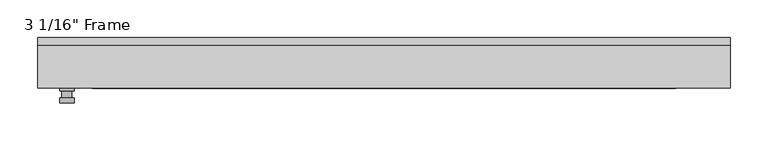
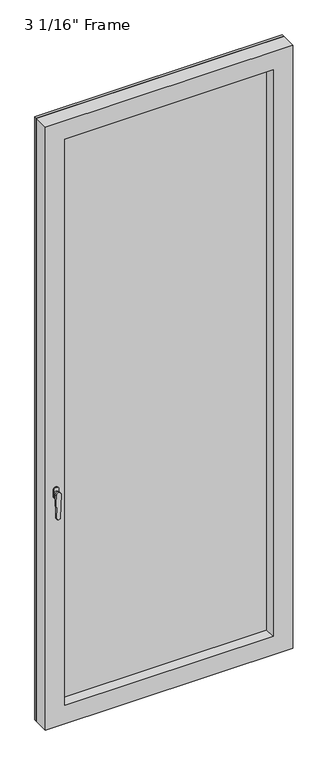
"""IFC4 building model written with IfcOpenShell, lengths in millimetres: plate geometry."""

import ifcopenshell
import ifcopenshell.guid

model = None  # the IFC model being written
_history = None  # IfcOwnerHistory: only IFC2X3 demands one
_inside = {}  # id of a spatial element -> (the spatial element, [elements in it])
_under = {}  # id of a project, library or spatial element -> (it, [spatial elements below it])
_declared = {}  # id of a project -> (the project, [libraries it declares])
_typed = {}  # id of a type object -> (the type object, [elements of that type])
_made_of = {}  # id of a material, layer set ... -> (it, [elements and type objects made of it])


def new_model(schema):
    """Start an empty IFC model of exactly this schema.

    Asked for "IFC4X3", IfcOpenShell would pick the latest addendum, in which some entities
    have other attributes; the version numbers below select the first issue.
    IFC2X3 requires an IfcOwnerHistory on every rooted entity: one is made here for all.
    """
    global model, _history
    if schema == "IFC4X3":
        model = ifcopenshell.file(schema_version=(4, 3, 0, 0))
    else:
        model = ifcopenshell.file(schema=schema)
    _inside.clear()
    _under.clear()
    _declared.clear()
    _typed.clear()
    _made_of.clear()
    _history = None
    if model.schema == "IFC2X3":
        org = make("IfcOrganization", Name="unknown")
        user = make(
            "IfcPersonAndOrganization",
            ThePerson=make("IfcPerson", FamilyName="unknown"),
            TheOrganization=org,
        )
        app = make(
            "IfcApplication",
            ApplicationDeveloper=org,
            Version="unknown",
            ApplicationFullName="unknown",
            ApplicationIdentifier="unknown",
        )
        _history = make(
            "IfcOwnerHistory",
            OwningUser=user,
            OwningApplication=app,
            ChangeAction="ADDED",
            CreationDate=0,
        )
    return model


def make(cls, **values):
    """One entity of the class cls with the attributes given. An attribute that is None is left unset."""
    return model.create_entity(
        cls, **{name: value for name, value in values.items() if value is not None}
    )


def rooted(cls, **values):
    """An entity with a GlobalId (a new one), such as an element, a storey or a relation."""
    return make(cls, GlobalId=ifcopenshell.guid.new(), OwnerHistory=_history, **values)


def si_unit(unit_type, name, prefix=None):
    """IfcSIUnit, for example si_unit("LENGTHUNIT", "METRE", prefix="MILLI")."""
    return make("IfcSIUnit", UnitType=unit_type, Prefix=prefix, Name=name)


def assignment(units):
    """IfcUnitAssignment: the units of a project."""
    return None if units is None else make("IfcUnitAssignment", Units=units)


def point(xyz):
    """IfcCartesianPoint."""
    return None if xyz is None else make("IfcCartesianPoint", Coordinates=xyz)


def direction(xyz):
    """IfcDirection."""
    return None if xyz is None else make("IfcDirection", DirectionRatios=xyz)


def frame(location, z_axis=None, x_axis=None):
    """IfcAxis2Placement3D, a coordinate frame: its origin and axes. An axis left out is left unset."""
    return make(
        "IfcAxis2Placement3D",
        Location=point(location),
        Axis=direction(z_axis),
        RefDirection=direction(x_axis),
    )


def origin():
    """The frame at (0, 0, 0) with its axes left unset."""
    return frame((0.0, 0.0, 0.0))


def place(relative_to, where):
    """IfcLocalPlacement: puts the frame where relative to a parent placement (None: the world)."""
    return make(
        "IfcLocalPlacement", PlacementRelTo=relative_to, RelativePlacement=where
    )


def context(
    kind, dimensions, precision=None, world=None, true_north=None, identifier=None
):
    """IfcGeometricRepresentationContext, for example the 3D "Model" context."""
    return make(
        "IfcGeometricRepresentationContext",
        ContextIdentifier=identifier,
        ContextType=kind,
        CoordinateSpaceDimension=dimensions,
        Precision=precision,
        WorldCoordinateSystem=world,
        TrueNorth=true_north,
    )


def project(units=None, contexts=None):
    """IfcProject with its units and contexts."""
    return rooted(
        "IfcProject",
        Name="project",
        RepresentationContexts=contexts,
        UnitsInContext=assignment(units),
    )


def spatial(cls, under=None, at=None, **own):
    """A site, building, storey or space (cls), placed at a placement, below another one or the project."""
    s = rooted(cls, ObjectPlacement=at, **own)
    if under is not None:
        _under.setdefault(under.id(), (under, []))[1].append(s)
    return s


def polyline(points):
    """IfcPolyline through the points."""
    return make("IfcPolyline", Points=[point(p) for p in points])


def circle_curve(where, radius):
    """IfcCircle in the frame where."""
    return make("IfcCircle", Position=where, Radius=radius)


def outline(outer, holes=None, kind="AREA"):
    """IfcArbitraryClosedProfileDef: a profile drawn as a closed curve; with holes, ...WithVoids."""
    if holes is None:
        return make("IfcArbitraryClosedProfileDef", ProfileType=kind, OuterCurve=outer)
    return make(
        "IfcArbitraryProfileDefWithVoids",
        ProfileType=kind,
        OuterCurve=outer,
        InnerCurves=holes,
    )


def extrude(swept, where, along, depth):
    """IfcExtrudedAreaSolid: the profile swept, set in the frame where, extruded along a direction by depth."""
    return make(
        "IfcExtrudedAreaSolid",
        SweptArea=swept,
        Position=where,
        ExtrudedDirection=direction(along),
        Depth=depth,
    )


def faces_of(points, faces, orient=None, outer=None):
    """IfcFace entities. A face is a list of loops; a loop is a list of indices into points, from 0.

    orient and outer hold one flag for each loop. By default every Orientation is true, the
    first loop of a face is its IfcFaceOuterBound and the others are IfcFaceBound.
    """
    made = []
    for i, loops in enumerate(faces):
        bounds = []
        for j, loop in enumerate(loops):
            is_outer = j == 0 if outer is None else outer[i][j]
            bounds.append(
                make(
                    "IfcFaceOuterBound" if is_outer else "IfcFaceBound",
                    Bound=make("IfcPolyLoop", Polygon=[points[k] for k in loop]),
                    Orientation=True if orient is None else orient[i][j],
                )
            )
        made.append(make("IfcFace", Bounds=bounds))
    return made


def faceted_brep(points, faces, orient=None, outer=None, voids=None):
    """IfcFacetedBrep: a solid bounded by flat faces; with voids (closed shells), ...WithVoids."""
    shared = [point(p) for p in points]
    hull = make("IfcClosedShell", CfsFaces=faces_of(shared, faces, orient, outer))
    if voids is None:
        return make("IfcFacetedBrep", Outer=hull)
    return make(
        "IfcFacetedBrepWithVoids",
        Outer=hull,
        Voids=[
            make(cls, CfsFaces=faces_of(shared, fs, o, b)) for cls, fs, o, b in voids
        ],
    )


def shape(context_of_items, identifier, shape_type, items):
    """IfcShapeRepresentation: the items that make up one representation, for example the "Body"."""
    return make(
        "IfcShapeRepresentation",
        ContextOfItems=context_of_items,
        RepresentationIdentifier=identifier,
        RepresentationType=shape_type,
        Items=items,
    )


def source(mapping_origin, context_of_items, identifier, shape_type, items):
    """IfcRepresentationMap: a shape defined once, which mapped items show again and again."""
    return make(
        "IfcRepresentationMap",
        MappingOrigin=mapping_origin,
        MappedRepresentation=shape(context_of_items, identifier, shape_type, items),
    )


def transform(
    local_origin,
    x_axis=None,
    y_axis=None,
    z_axis=None,
    scale=None,
    scale2=None,
    scale3=None,
    uniform=True,
):
    """IfcCartesianTransformationOperator3D, or its non-uniform kind. x_axis, y_axis, z_axis: its Axis1, 2, 3."""
    if uniform:
        return make(
            "IfcCartesianTransformationOperator3D",
            Axis1=direction(x_axis),
            Axis2=direction(y_axis),
            LocalOrigin=point(local_origin),
            Scale=scale,
            Axis3=direction(z_axis),
        )
    return make(
        "IfcCartesianTransformationOperator3DnonUniform",
        Axis1=direction(x_axis),
        Axis2=direction(y_axis),
        LocalOrigin=point(local_origin),
        Scale=scale,
        Axis3=direction(z_axis),
        Scale2=scale2,
        Scale3=scale3,
    )


def mapped(mapping_source, mapping_target):
    """IfcMappedItem: shows the shape of a source again, moved by a transform."""
    return make(
        "IfcMappedItem", MappingSource=mapping_source, MappingTarget=mapping_target
    )


def made_of(thing, what):
    """Note that an element or type object is made of a material, layer set ...; save() writes the relation."""
    if what is not None:
        _made_of.setdefault(what.id(), (what, []))[1].append(thing)
    return thing


def element(
    cls,
    number,
    at=None,
    inside=None,
    cuts=None,
    type_object=None,
    material=None,
    context=None,
    identifier="Body",
    shape_type=None,
    held_by="IfcProductDefinitionShape",
    body=None,
    shapes=None,
    **own,
):
    """One element of the class cls, such as IfcWall. Its Tag is "e" and its number.

    at: its placement. inside: the storey or other place that contains it. cuts: it is an
    opening in that element (IfcRelVoidsElement). A single representation is given by context,
    identifier, shape_type and body (its items); several are given by shapes. held_by: the class
    of the entity that holds the representations. save() writes the other relations.
    """
    e = rooted(cls, Tag="e%d" % number, ObjectPlacement=at, **own)
    if body is not None:
        shapes = [shape(context, identifier, shape_type, body)]
    if shapes is not None:
        e.Representation = make(held_by, Representations=shapes)
    if inside is not None:
        _inside.setdefault(inside.id(), (inside, []))[1].append(e)
    if cuts is not None:
        rooted(
            "IfcRelVoidsElement", RelatingBuildingElement=cuts, RelatedOpeningElement=e
        )
    if type_object is not None:
        _typed.setdefault(type_object.id(), (type_object, []))[1].append(e)
    return made_of(e, material)


def aggregate(whole, parts):
    """IfcRelAggregates: a whole, such as a stair, and the parts it consists of."""
    return rooted("IfcRelAggregates", RelatingObject=whole, RelatedObjects=parts)


def save(model, path):
    """Write the relations noted so far, then the file.

    IfcRelAggregates (storeys below a building ...), IfcRelContainedInSpatialStructure (elements
    in a storey), IfcRelDefinesByType, IfcRelAssociatesMaterial and IfcRelDeclares: one each for
    every whole, place, type object, material and project.
    """
    for whole, parts in _under.values():
        aggregate(whole, parts)
    for where, things in _inside.values():
        rooted(
            "IfcRelContainedInSpatialStructure",
            RelatedElements=things,
            RelatingStructure=where,
        )
    for kind, things in _typed.values():
        rooted("IfcRelDefinesByType", RelatedObjects=things, RelatingType=kind)
    for what, things in _made_of.values():
        rooted("IfcRelAssociatesMaterial", RelatedObjects=things, RelatingMaterial=what)
    for by, libraries in _declared.values():
        rooted("IfcRelDeclares", RelatingContext=by, RelatedDefinitions=libraries)
    model.write(path)


def plane_surface(at):
    """IfcPlane: the flat surface through the origin of the frame at, square to its z axis."""
    return make("IfcPlane", Position=at)


def cylinder_surface(at, radius):
    """IfcCylindricalSurface: all points at the distance radius from the z axis of the frame at."""
    return make("IfcCylindricalSurface", Position=at, Radius=radius)


def advanced_brep(points, edges, surfaces, faces):
    """IfcAdvancedBrep: a solid bounded by faces that lie on surfaces and meet in shared edges.

    An edge is (start, end): straight between two places in points (the first is 0);
    or (start, end, curve); or (start, end, curve, False) where it runs against its curve.
    A face is (place in surfaces, loops), or (place, loops, False) where it looks against
    its surface's normal. A loop lists edges by number (the first is 1), with a minus sign
    where the edge is run from its end to its start. The first loop is the outer one.
    """
    corners = [point(p) for p in points]
    vertices = [make("IfcVertexPoint", VertexGeometry=c) for c in corners]
    made = []
    for start, end, *more in edges:
        made.append(
            make(
                "IfcEdgeCurve",
                EdgeStart=vertices[start],
                EdgeEnd=vertices[end],
                EdgeGeometry=more[0] if more else make("IfcPolyline", Points=[corners[start], corners[end]]),
                SameSense=more[1] if len(more) > 1 else True,
            )
        )
    hull = []
    for where, loops, *sense in faces:
        bounds = []
        for j, loop in enumerate(loops):
            ring = [make("IfcOrientedEdge", EdgeElement=made[abs(k) - 1], Orientation=k > 0) for k in loop]
            bounds.append(
                make(
                    "IfcFaceOuterBound" if j == 0 else "IfcFaceBound",
                    Bound=make("IfcEdgeLoop", EdgeList=ring),
                    Orientation=True,
                )
            )
        hull.append(make("IfcAdvancedFace", Bounds=bounds, FaceSurface=surfaces[where], SameSense=sense[0] if sense else True))
    return make("IfcAdvancedBrep", Outer=make("IfcClosedShell", CfsFaces=hull))


def plate_6b7e6aff(model_context):
    return source(origin(), model_context, "Body", "SolidModel", [
        advanced_brep(
        [(-408.78125, -33.3375, 927.1), (-408.78125, -33.3375, 901.7), (-427.83125, -33.3375, 901.7), (-427.83125, -33.3375, 927.1), (-411.95625, -46.0375, 914.4), (-424.65625, -46.0375, 914.4), (-424.65625, -36.5125, 914.4), (-411.95625, -36.5125, 914.4), (-408.78125, -46.0375, 914.4), (-411.9602856, -46.0375, 825.2736467), (-424.6522144, -46.0375, 825.2736467), (-427.83125, -46.0375, 914.4), (-408.78125, -52.3875, 914.4), (-427.83125, -52.3875, 914.4), (-424.6522144, -52.3875, 825.2736467), (-411.9602856, -52.3875, 825.2736467), (-408.78125, -36.5125, 927.1), (-427.83125, -36.5125, 927.1), (-427.83125, -36.5125, 901.7), (-408.78125, -36.5125, 901.7)],
        [
            (0, 1),
            (1, 2, circle_curve(frame((-418.30625, -33.3375, 901.7), z_axis=(0.0, 1.0, 0.0), x_axis=(-1.0, 0.0, 0.0)), 9.525)),
            (2, 3),
            (3, 0, circle_curve(frame((-418.30625, -33.3375, 927.1), z_axis=(0.0, 1.0, 0.0), x_axis=(-1.0, 0.0, 0.0)), 9.525)),
            (4, 5, circle_curve(frame((-418.30625, -46.0375, 914.4), z_axis=(0.0, 1.0, 0.0), x_axis=(-1.0, 0.0, 0.0)), 6.35)),
            (5, 6),
            (6, 7, circle_curve(frame((-418.30625, -36.5125, 914.4), z_axis=(0.0, -1.0, 0.0), x_axis=(-1.0, 0.0, 0.0)), 6.35)),
            (7, 4),
            (5, 4, circle_curve(frame((-418.30625, -46.0375, 914.4), z_axis=(0.0, 1.0, 0.0), x_axis=(-1.0, 0.0, 0.0)), 6.35)),
            (7, 6, circle_curve(frame((-418.30625, -36.5125, 914.4), z_axis=(0.0, -1.0, 0.0), x_axis=(-1.0, 0.0, 0.0)), 6.35)),
            (8, 9),
            (9, 10, circle_curve(frame((-418.30625, -46.0375, 825.5), z_axis=(0.0, 1.0, 0.0), x_axis=(-1.0, 0.0, 0.0)), 6.35)),
            (10, 11),
            (11, 8, circle_curve(frame((-418.30625, -46.0375, 914.4), z_axis=(0.0, 1.0, 0.0), x_axis=(-1.0, 0.0, 0.0)), 9.525)),
            (12, 13, circle_curve(frame((-418.30625, -52.3875, 914.4), z_axis=(0.0, -1.0, 0.0), x_axis=(-1.0, 0.0, 0.0)), 9.525)),
            (13, 14),
            (14, 15, circle_curve(frame((-418.30625, -52.3875, 825.5), z_axis=(0.0, -1.0, 0.0), x_axis=(-1.0, 0.0, 0.0)), 6.35)),
            (15, 12),
            (8, 12),
            (15, 9),
            (14, 10),
            (13, 11),
            (16, 17, circle_curve(frame((-418.30625, -36.5125, 927.1), z_axis=(0.0, -1.0, 0.0), x_axis=(-1.0, 0.0, 0.0)), 9.525)),
            (17, 18),
            (18, 19, circle_curve(frame((-418.30625, -36.5125, 901.7), z_axis=(0.0, -1.0, 0.0), x_axis=(-1.0, 0.0, 0.0)), 9.525)),
            (19, 16),
            (0, 16),
            (19, 1),
            (18, 2),
            (17, 3),
        ],
        [
            plane_surface(frame((-424.65625, -33.3375, 914.4), z_axis=(0.0, 1.0, 0.0), x_axis=(0.0, 0.0, 1.0))),
            cylinder_surface(frame((-418.30625, -46.0375, 914.4), z_axis=(0.0, 1.0, 0.0), x_axis=(-1.0, 0.0, 0.0)), 6.35),
            plane_surface(frame((-408.78125, -46.0375, 914.4), z_axis=(0.0, 1.0000000000000002, 0.0), x_axis=(-0.03564619348186888, 0.0, -0.9993644724975235))),
            plane_surface(frame((-408.78125, -52.3875, 914.4), z_axis=(0.0, -1.0000000000000002, 0.0), x_axis=(0.03564619348186888, 0.0, 0.9993644724975235))),
            plane_surface(frame((-408.78125, -46.0375, 914.4), z_axis=(0.9993644724975235, 0.0, -0.03564619348186888), x_axis=(0.0, -1.0, 0.0))),
            cylinder_surface(frame((-418.30625, -52.3875, 825.5), z_axis=(0.0, 1.0, 0.0), x_axis=(-1.0, 0.0, 0.0)), 6.35),
            plane_surface(frame((-424.6522144, -46.0375, 825.2736467), z_axis=(-0.9993644724975228, 0.0, -0.03564619348188612), x_axis=(0.0, -1.0, 0.0))),
            cylinder_surface(frame((-418.30625, -52.3875, 914.4), z_axis=(0.0, 1.0, 0.0), x_axis=(-1.0, 0.0, 0.0)), 9.525),
            plane_surface(frame((-408.78125, -36.5125, 901.7), z_axis=(0.0, -1.0, 0.0), x_axis=(0.0, 0.0, 1.0))),
            plane_surface(frame((-408.78125, -33.3375, 927.1), z_axis=(1.0, 0.0, 0.0), x_axis=(0.0, -1.0, 0.0))),
            cylinder_surface(frame((-418.30625, -36.5125, 901.7), z_axis=(0.0, 1.0, 0.0), x_axis=(-1.0, 0.0, 0.0)), 9.525),
            plane_surface(frame((-427.83125, -33.3375, 901.7), z_axis=(-1.0, 0.0, 0.0), x_axis=(0.0, -1.0, 0.0))),
            cylinder_surface(frame((-418.30625, -36.5125, 927.1), z_axis=(0.0, 1.0, 0.0), x_axis=(-1.0, 0.0, 0.0)), 9.525),
        ],
        [
            (0, [[1, 2, 3, 4]]),
            (1, [[5, 6, 7, 8]]),
            (1, [[9, -8, 10, -6]]),
            (2, [[11, 12, 13, 14], [-5, -9]]),
            (3, [[15, 16, 17, 18]]),
            (4, [[-11, 19, -18, 20]]),
            (5, [[-12, -20, -17, 21]]),
            (6, [[-13, -21, -16, 22]]),
            (7, [[-14, -22, -15, -19]]),
            (8, [[23, 24, 25, 26], [-7, -10]]),
            (9, [[-1, 27, -26, 28]]),
            (10, [[-2, -28, -25, 29]]),
            (11, [[-3, -29, -24, 30]]),
            (12, [[-4, -30, -23, -27]]),
        ],
    ),
        extrude(outline(polyline([(0.0, -456.40625), (0.0, 456.40625), (2352.675, 456.40625), (2352.675, -456.40625), (0.0, -456.40625)]), holes=[polyline([(2274.8875, -378.61875), (2274.8875, 378.61875), (77.7875, 378.61875), (77.7875, -378.61875), (2274.8875, -378.61875)])]), frame((0.0, 23.8125, 0.0), z_axis=(0.0, 1.0, 0.0), x_axis=(0.0, 0.0, 1.0)), (0.0, 0.0, 1.0), 9.525),
        faceted_brep([(-456.40625, -33.3375, 0.0), (-456.40625, 23.8125, 0.0), (456.40625, 23.8125, 0.0), (456.40625, -33.3375, 0.0), (-456.40625, -33.3375, 2352.675), (-456.40625, 23.8125, 2352.675), (456.40625, 23.8125, 2352.675), (-391.31875, 23.8125, 2287.5875), (-391.31875, 23.8125, 65.0875), (391.31875, 23.8125, 65.0875), (391.31875, 23.8125, 2287.5875), (-391.31875, 0.0, 2287.5875), (-391.31875, 0.0, 65.0875), (391.31875, 0.0, 2287.5875), (391.31875, 0.0, 65.0875), (-378.61875, 0.0, 2274.8875), (-378.61875, 0.0, 77.7875), (378.61875, 0.0, 77.7875), (378.61875, 0.0, 2274.8875), (-384.96875, -33.3375, 2281.2375), (-384.96875, -33.3375, 71.4375), (456.40625, -33.3375, 2352.675), (384.96875, -33.3375, 2281.2375), (384.96875, -33.3375, 71.4375)], [[[0, 1, 2, 3]], [[1, 0, 4, 5]], [[2, 1, 5, 6], [7, 8, 9, 10]], [[7, 11, 12, 8]], [[11, 13, 14, 12], [15, 16, 17, 18]], [[15, 19, 20, 16]], [[4, 0, 3, 21], [22, 23, 20, 19]], [[5, 4, 21, 6]], [[7, 10, 13, 11]], [[15, 18, 22, 19]], [[2, 6, 21, 3]], [[14, 13, 10, 9]], [[22, 18, 17, 23]], [[20, 23, 17, 16]], [[9, 8, 12, 14]]]),
        extrude(outline(polyline([(391.31875, 0.0), (-391.31875, 0.0), (-391.31875, 23.8125), (391.31875, 23.8125), (391.31875, 0.0)])), frame((0.0, 0.0, 65.0875), z_axis=(0.0, 0.0, 1.0), x_axis=(1.0, 0.0, 0.0)), (0.0, 0.0, 1.0), 2222.5),
    ])


if __name__ == "__main__":
    model = new_model("IFC4")
    model_context = context("Model", 3, world=origin())
    ifc_project = project(units=[si_unit("LENGTHUNIT", "METRE", prefix="MILLI")], contexts=[model_context])
    site = spatial("IfcSite", under=ifc_project)
    building = spatial("IfcBuilding", under=site)
    placement = place(None, origin())
    plate_shape = plate_6b7e6aff(model_context)
    element("IfcPlate", 1, ObjectType="3 1/16\" Frame", at=placement, inside=building, context=model_context, shape_type="MappedRepresentation", body=[
        mapped(plate_shape, transform((0.0, 0.0, 0.0), x_axis=(1.0, 0.0, 0.0), y_axis=(0.0, 1.0, 0.0), z_axis=(0.0, 0.0, 1.0))),
    ])
    save(model, "model.ifc")
